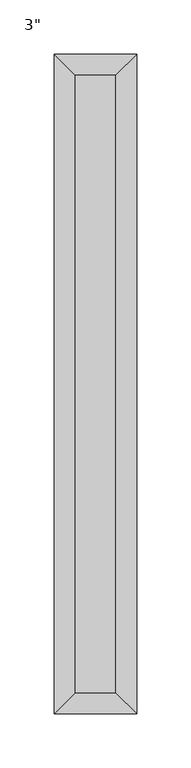
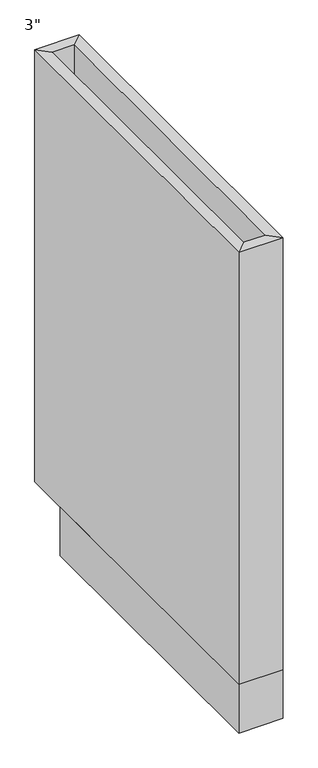
"""IFC4 building model written with IfcOpenShell, lengths in millimetres: furniture geometry."""

from ifc_helpers import new_model, si_unit, frame, origin, origin_with_axes, place, context, project, spatial, polyline, outline, extrude, faceted_brep, source, transform, mapped, element, save


def furniture_e5671d46(model_context):
    return source(origin(), model_context, "Body", "SolidModel", [
        extrude(outline(polyline([(37.7877049, 19.05), (-0.3122951, 19.05), (-0.3122951, 590.55), (37.7877049, 590.55), (37.7877049, 19.05)])), frame((0.0, 0.0, 88.9), z_axis=(0.0, 0.0, 1.0), x_axis=(1.0, 0.0, 0.0)), (0.0, 0.0, 1.0), 19.05),
        faceted_brep([(37.7877049, 590.55, 876.3), (-0.3122951, 590.55, 876.3), (-0.3122951, 590.55, 88.9), (37.7877049, 590.55, 88.9), (56.8377049, 609.6, 876.3), (-19.3622951, 609.6, 876.3), (56.8377049, 609.6, 88.9), (-19.3622951, 609.6, 88.9), (-0.3122951, 19.05, 876.3), (-0.3122951, 19.05, 88.9), (-19.3622951, 0.0, 876.3), (-19.3622951, 0.0, 88.9), (37.7877049, 19.05, 876.3), (37.7877049, 19.05, 88.9), (56.8377049, 0.0, 876.3), (56.8377049, 0.0, 88.9)], [[[0, 1, 2, 3]], [[4, 5, 1, 0]], [[6, 7, 5, 4]], [[3, 2, 7, 6]], [[1, 8, 9, 2]], [[5, 10, 8, 1]], [[7, 11, 10, 5]], [[2, 9, 11, 7]], [[8, 12, 13, 9]], [[10, 14, 12, 8]], [[11, 15, 14, 10]], [[9, 13, 15, 11]], [[12, 0, 3, 13]], [[14, 4, 0, 12]], [[15, 6, 4, 14]], [[13, 3, 6, 15]]]),
        extrude(outline(polyline([(56.8377049, 0.0), (-19.3622951, 0.0), (-19.3622951, 533.4), (56.8377049, 533.4), (56.8377049, 0.0)])), origin_with_axes(), (0.0, 0.0, 1.0), 88.9),
    ])


if __name__ == "__main__":
    model = new_model("IFC4")
    model_context = context("Model", 3, world=origin())
    ifc_project = project(units=[si_unit("LENGTHUNIT", "METRE", prefix="MILLI")], contexts=[model_context])
    site = spatial("IfcSite", under=ifc_project)
    building = spatial("IfcBuilding", under=site)
    placement = place(None, origin())
    furniture_shape = furniture_e5671d46(model_context)
    element("IfcFurniture", 1, ObjectType="3\"", at=placement, inside=building, context=model_context, shape_type="MappedRepresentation", body=[
        mapped(furniture_shape, transform((0.0, 0.0, 0.0), x_axis=(1.0, 0.0, 0.0), y_axis=(0.0, 1.0, 0.0), z_axis=(0.0, 0.0, 1.0))),
    ])
    save(model, "model.ifc")
